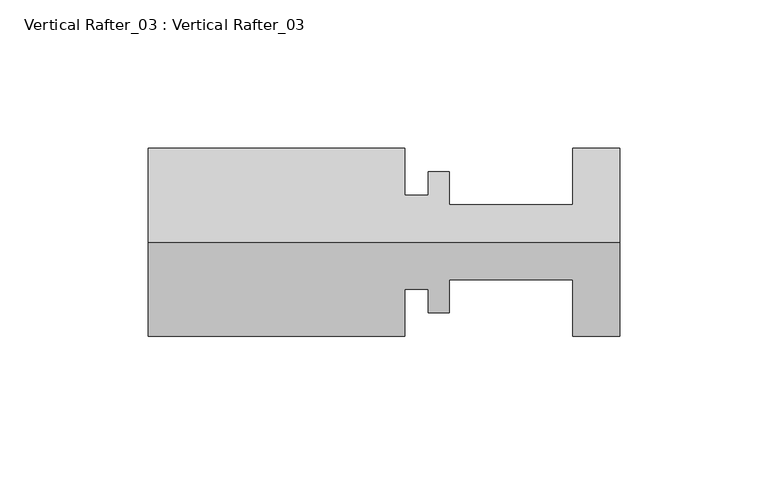
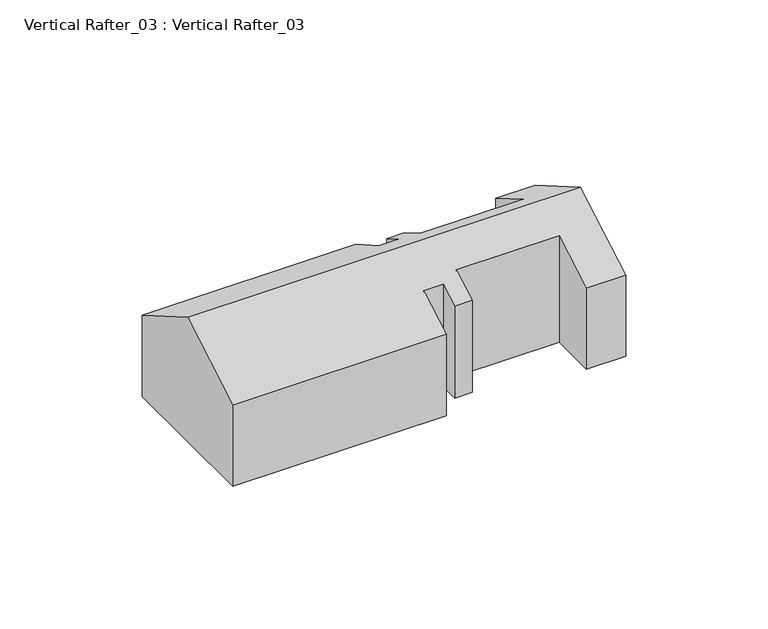
"""IFC4 building model written with IfcOpenShell, lengths in millimetres: proxy geometry, Vertical Rafter_03 : Vertical Rafter_03."""

from ifc_helpers import new_model, si_unit, origin, place, context, project, spatial, faceted_brep, source, transform, mapped, element, save


def vertical_rafter_03_vertical_rafter_03_f93bc403(model_context):
    return source(origin(), model_context, "Body", "Brep", [
        faceted_brep([(12080.5221425, -20213.050174, 1087.2820689), (12080.5221425, -20276.550174, 1087.2820689), (12064.6506309, -20276.550174, 1087.2820689), (12064.6506309, -20257.500174, 1087.2820689), (12022.9911425, -20257.500174, 1087.2820689), (12022.9911425, -20268.625374, 1087.2820689), (12015.8283425, -20268.625374, 1087.2820689), (12015.8283425, -20260.675174, 1087.2820689), (12007.9289425, -20260.675174, 1087.2820689), (12007.9289425, -20276.550174, 1087.2820689), (11921.3911425, -20276.550174, 1087.2820689), (11921.3911425, -20213.050174, 1087.2820689), (12007.9289425, -20213.050174, 1087.2820689), (12007.9289425, -20228.925174, 1087.2820689), (12015.8283425, -20228.925174, 1087.2820689), (12015.8283425, -20220.974974, 1087.2820689), (12022.9911425, -20220.974974, 1087.2820689), (12022.9911425, -20232.100174, 1087.2820689), (12064.6506309, -20232.100174, 1087.2820689), (12064.6506309, -20213.050174, 1087.2820689), (12064.6506309, -20213.050174, 1122.1491125), (12080.5221425, -20213.050174, 1122.1491125), (12064.6506309, -20232.100174, 1133.1476351), (12022.9911425, -20232.100174, 1133.1476351), (12022.9911425, -20220.974974, 1126.7244979), (12015.8283425, -20220.974974, 1126.7244979), (12015.8283425, -20228.925174, 1131.314548), (12007.9289425, -20228.925174, 1131.314548), (12007.9289425, -20213.050174, 1122.1491125), (11921.3911425, -20213.050174, 1122.1491125), (11921.3911425, -20276.550174, 1122.0860604), (11921.3911425, -20244.7455693, 1140.4484575), (12007.9289425, -20276.550174, 1122.0860604), (12007.9289425, -20260.675174, 1131.2514959), (12015.8283425, -20260.675174, 1131.2514959), (12015.8283425, -20268.625374, 1126.6614458), (12022.9911425, -20268.625374, 1126.6614458), (12022.9911425, -20257.500174, 1133.084583), (12064.6506309, -20257.500174, 1133.084583), (12064.6506309, -20276.550174, 1122.0860604), (12080.5221425, -20276.550174, 1122.0860604), (12080.5221425, -20244.7455693, 1140.4484575)], [[[0, 1, 2, 3, 4, 5, 6, 7, 8, 9, 10, 11, 12, 13, 14, 15, 16, 17, 18, 19]], [[0, 19, 20, 21]], [[19, 18, 22, 20]], [[18, 17, 23, 22]], [[17, 16, 24, 23]], [[16, 15, 25, 24]], [[15, 14, 26, 25]], [[14, 13, 27, 26]], [[13, 12, 28, 27]], [[12, 11, 29, 28]], [[11, 10, 30, 31, 29]], [[10, 9, 32, 30]], [[9, 8, 33, 32]], [[8, 7, 34, 33]], [[7, 6, 35, 34]], [[6, 5, 36, 35]], [[5, 4, 37, 36]], [[4, 3, 38, 37]], [[3, 2, 39, 38]], [[2, 1, 40, 39]], [[1, 0, 21, 41, 40]], [[21, 20, 22, 23, 24, 25, 26, 27, 28, 29, 31, 41]], [[31, 30, 32, 33, 34, 35, 36, 37, 38, 39, 40, 41]]]),
    ])


if __name__ == "__main__":
    model = new_model("IFC4")
    model_context = context("Model", 3, world=origin())
    ifc_project = project(units=[si_unit("LENGTHUNIT", "METRE", prefix="MILLI")], contexts=[model_context])
    site = spatial("IfcSite", under=ifc_project)
    building = spatial("IfcBuilding", under=site)
    placement = place(None, origin())
    vertical_rafter_03_vertical_rafter_03_shape = vertical_rafter_03_vertical_rafter_03_f93bc403(model_context)
    element("IfcBuildingElementProxy", 1, Name="Vertical Rafter_03 : Vertical Rafter_03", ObjectType="Vertical Rafter_03 : Vertical Rafter_03", at=placement, inside=building, context=model_context, shape_type="MappedRepresentation", body=[
        mapped(vertical_rafter_03_vertical_rafter_03_shape, transform((0.0, 0.0, 0.0), x_axis=(1.0, 0.0, 0.0), y_axis=(0.0, 1.0, 0.0), z_axis=(0.0, 0.0, 1.0))),
    ])
    save(model, "model.ifc")
